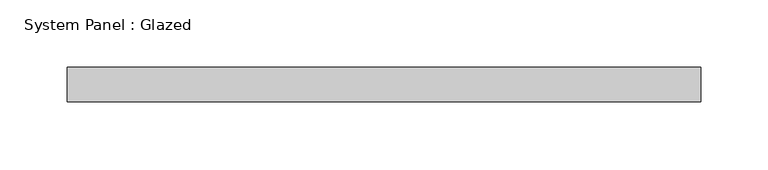
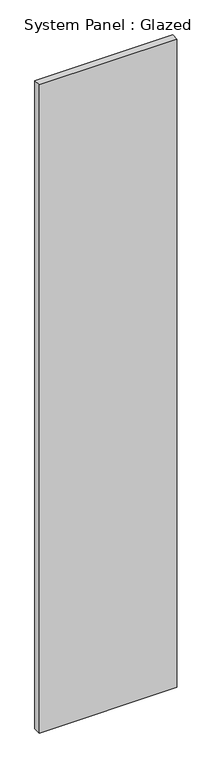
"""IFC4 building model written with IfcOpenShell, lengths in millimetres: plate geometry, System Panel : Glazed."""

from ifc_helpers import new_model, si_unit, origin, origin_with_axes, place, context, project, spatial, polyline, outline, extrude, source, transform, mapped, element, save


def system_panel_glazed_442d14ae(model_context):
    return source(origin(), model_context, "Body", "SweptSolid", [
        extrude(outline(polyline([(234.95, 19.05), (-234.95, 19.05), (-234.95, 44.45), (234.95, 44.45), (234.95, 19.05)])), origin_with_axes(), (0.0, 0.0, 1.0), 2338.1426667),
    ])


if __name__ == "__main__":
    model = new_model("IFC4")
    model_context = context("Model", 3, world=origin())
    ifc_project = project(units=[si_unit("LENGTHUNIT", "METRE", prefix="MILLI")], contexts=[model_context])
    site = spatial("IfcSite", under=ifc_project)
    building = spatial("IfcBuilding", under=site)
    placement = place(None, origin())
    system_panel_glazed_shape = system_panel_glazed_442d14ae(model_context)
    element("IfcPlate", 1, ObjectType="System Panel : Glazed", at=placement, inside=building, context=model_context, shape_type="MappedRepresentation", body=[
        mapped(system_panel_glazed_shape, transform((0.0, 0.0, 0.0), x_axis=(1.0, 0.0, 0.0), y_axis=(0.0, 1.0, 0.0), z_axis=(0.0, 0.0, 1.0))),
    ])
    save(model, "model.ifc")
